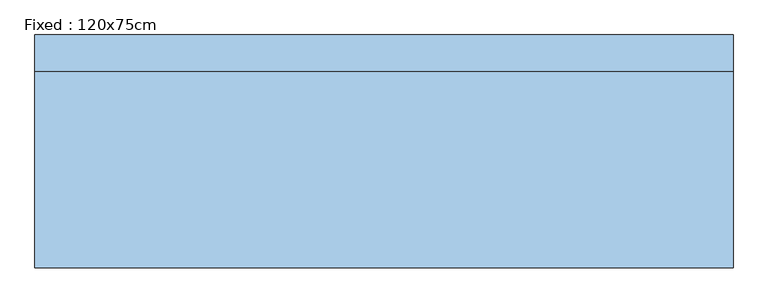
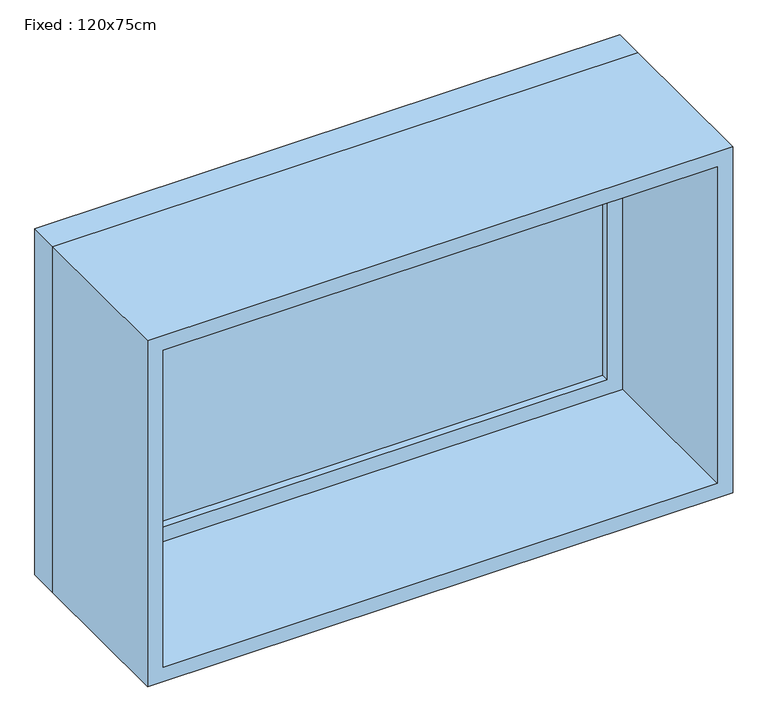
"""IFC4 building model written with IfcOpenShell, lengths in millimetres: window geometry, Fixed : 120x75cm."""

from ifc_helpers import new_model, si_unit, frame, origin, place, context, project, spatial, polyline, outline, extrude, source, transform, mapped, element, save


def fixed_120x75cm_bf0ea40e(model_context):
    return source(origin(), model_context, "Body", "SweptSolid", [
        extrude(outline(polyline([(498.4, 152.375), (-574.6, 152.375), (-574.6, 165.075), (498.4, 165.075), (498.4, 152.375)])), frame((0.0, 0.0, 1263.5), z_axis=(0.0, 0.0, 1.0), x_axis=(1.0, 0.0, 0.0)), (0.0, 0.0, 1.0), 623.0),
        extrude(outline(polyline([(1930.95, -619.05), (1219.05, -619.05), (1219.05, 542.85), (1930.95, 542.85), (1930.95, -619.05)]), holes=[polyline([(1886.5, -574.6), (1886.5, 498.4), (1263.5, 498.4), (1263.5, -574.6), (1886.5, -574.6)])]), frame((0.0, 136.5, 0.0), z_axis=(0.0, 1.0, 0.0), x_axis=(0.0, 0.0, 1.0)), (0.0, 0.0, 1.0), 44.45),
        extrude(outline(polyline([(1950.0, -638.1), (1200.0, -638.1), (1200.0, 561.9), (1950.0, 561.9), (1950.0, -638.1)]), holes=[polyline([(1918.25, -606.35), (1918.25, 530.15), (1231.75, 530.15), (1231.75, -606.35), (1918.25, -606.35)])]), frame((0.0, -200.0, 0.0), z_axis=(0.0, 1.0, 0.0), x_axis=(0.0, 0.0, 1.0)), (0.0, 0.0, 1.0), 336.5),
        extrude(outline(polyline([(1950.0, 561.9), (1950.0, -638.1), (1200.0, -638.1), (1200.0, 561.9), (1950.0, 561.9)]), holes=[polyline([(1930.95, 542.85), (1219.05, 542.85), (1219.05, -619.05), (1930.95, -619.05), (1930.95, 542.85)])]), frame((0.0, 136.5, 0.0), z_axis=(0.0, 1.0, 0.0), x_axis=(0.0, 0.0, 1.0)), (0.0, 0.0, 1.0), 63.5),
    ])


if __name__ == "__main__":
    model = new_model("IFC4")
    model_context = context("Model", 3, world=origin())
    ifc_project = project(units=[si_unit("LENGTHUNIT", "METRE", prefix="MILLI")], contexts=[model_context])
    site = spatial("IfcSite", under=ifc_project)
    building = spatial("IfcBuilding", under=site)
    placement = place(None, origin())
    fixed_120x75cm_shape = fixed_120x75cm_bf0ea40e(model_context)
    element("IfcWindow", 1, ObjectType="Fixed : 120x75cm", at=placement, inside=building, context=model_context, shape_type="MappedRepresentation", body=[
        mapped(fixed_120x75cm_shape, transform((0.0, 0.0, 0.0), x_axis=(1.0, 0.0, 0.0), y_axis=(0.0, 1.0, 0.0), z_axis=(0.0, 0.0, 1.0))),
    ])
    save(model, "model.ifc")
